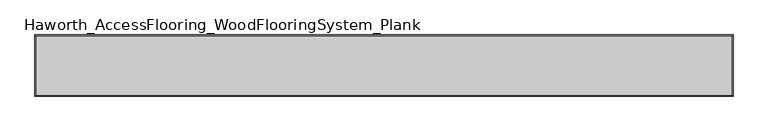
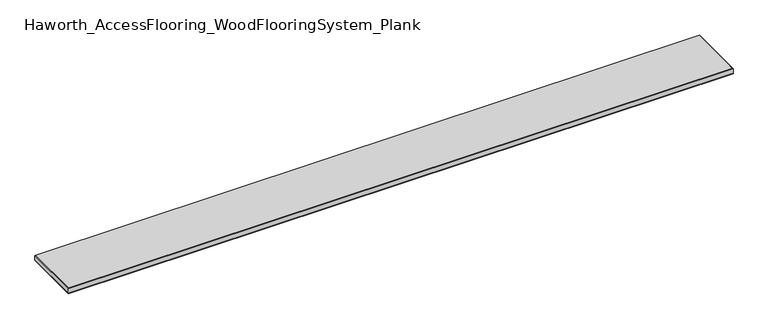
"""IFC4 building model written with IfcOpenShell, lengths in millimetres: proxy geometry, Haworth_AccessFlooring_WoodFlooringSystem_Plank."""

from ifc_helpers import new_model, si_unit, frame, origin, place, context, project, spatial, polyline, outline, extrude, faceted_brep, source, transform, mapped, element, save


def haworth_accessflooring_woodflooringsystem_plank_30bac94d(model_context):
    return source(origin(), model_context, "Body", "SolidModel", [
        extrude(outline(polyline([(914.4, 80.0199219), (914.4, -80.0199219), (-914.4, -80.0199219), (-914.4, 80.0199219), (914.4, 80.0199219)])), frame((0.0, 0.0, -15.875), z_axis=(0.0, 0.0, 1.0), x_axis=(1.0, 0.0, 0.0)), (0.0, 0.0, 1.0), 0.9921875),
        faceted_brep([(914.4, 80.0199219, -14.8828125), (914.4, -80.0199219, -14.8828125), (-914.4, -80.0199219, -14.8828125), (-914.4, 80.0199219, -14.8828125), (-914.4, 80.0199219, -1.5875), (914.4, 80.0199219, -1.5875), (-914.4, -80.0199219, -1.5875), (914.4, -80.0199219, -1.5875), (912.8125, 78.4324219, 0.0), (-912.8125, 78.4324219, 0.0), (-912.8125, -78.4324219, 0.0), (912.8125, -78.4324219, 0.0)], [[[0, 1, 2, 3]], [[0, 3, 4, 5]], [[3, 2, 6, 4]], [[2, 1, 7, 6]], [[1, 0, 5, 7]], [[8, 9, 10, 11]], [[9, 8, 5, 4]], [[10, 9, 4, 6]], [[11, 10, 6, 7]], [[8, 11, 7, 5]]]),
    ])


if __name__ == "__main__":
    model = new_model("IFC4")
    model_context = context("Model", 3, world=origin())
    ifc_project = project(units=[si_unit("LENGTHUNIT", "METRE", prefix="MILLI")], contexts=[model_context])
    site = spatial("IfcSite", under=ifc_project)
    building = spatial("IfcBuilding", under=site)
    placement = place(None, origin())
    haworth_accessflooring_woodflooringsystem_plank_shape = haworth_accessflooring_woodflooringsystem_plank_30bac94d(model_context)
    element("IfcBuildingElementProxy", 1, Name="Haworth_AccessFlooring_WoodFlooringSystem_Plank", ObjectType="Haworth_AccessFlooring_WoodFlooringSystem_Plank", at=placement, inside=building, context=model_context, shape_type="MappedRepresentation", body=[
        mapped(haworth_accessflooring_woodflooringsystem_plank_shape, transform((0.0, 0.0, 0.0), x_axis=(1.0, 0.0, 0.0), y_axis=(0.0, 1.0, 0.0), z_axis=(0.0, 0.0, 1.0))),
    ])
    save(model, "model.ifc")
